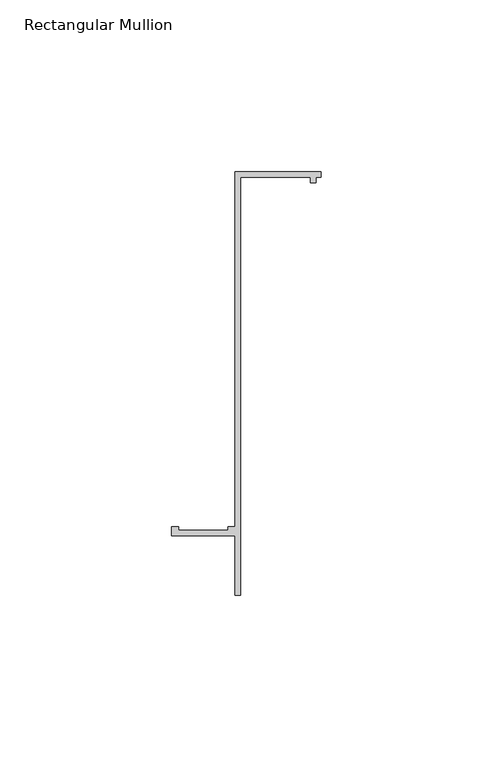
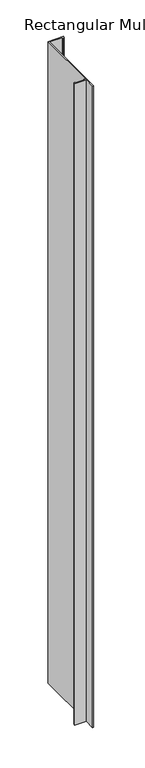
"""IFC4 building model written with IfcOpenShell, lengths in millimetres: member geometry, Rectangular Mullion."""

from ifc_helpers import new_model, si_unit, frame, origin, place, context, project, spatial, polyline, outline, extrude, source, transform, mapped, element, save


def rectangular_mullion_2abbcb98(model_context):
    return source(origin(), model_context, "Body", "SweptSolid", [
        extrude(outline(polyline([(2e-07, 55.1996656), (0.0, 53.5996656), (-1.4, 53.5996657), (-1.4000002, 51.9996657), (-3.0000002, 51.9996659), (-3.0, 53.5996659), (-23.4, 53.5996679), (-23.4000119, -68.0000321), (-25.0000119, -68.000032), (-25.0000102, -50.600032), (-43.4000102, -50.6000302), (-43.40001, -48.0000302), (-41.4017469, -48.0000304), (-41.4017469, -49.0000304), (-27.0000101, -49.0000318), (-27.0000101, -48.0000318), (-25.00001, -48.000032), (-24.9999998, 55.199668), (2e-07, 55.1996656)])), frame((0.0, 0.0, -1075.0396879), z_axis=(0.0, 0.0, 1.0), x_axis=(1.0, 0.0, 0.0)), (0.0, 0.0, 1.0), 1075.0396879),
    ])


if __name__ == "__main__":
    model = new_model("IFC4")
    model_context = context("Model", 3, world=origin())
    ifc_project = project(units=[si_unit("LENGTHUNIT", "METRE", prefix="MILLI")], contexts=[model_context])
    site = spatial("IfcSite", under=ifc_project)
    building = spatial("IfcBuilding", under=site)
    placement = place(None, origin())
    rectangular_mullion_shape = rectangular_mullion_2abbcb98(model_context)
    element("IfcMember", 1, ObjectType="Rectangular Mullion", at=placement, inside=building, context=model_context, shape_type="MappedRepresentation", body=[
        mapped(rectangular_mullion_shape, transform((0.0, 0.0, 0.0), x_axis=(1.0, 0.0, 0.0), y_axis=(0.0, 1.0, 0.0), z_axis=(0.0, 0.0, 1.0))),
    ])
    save(model, "model.ifc")
